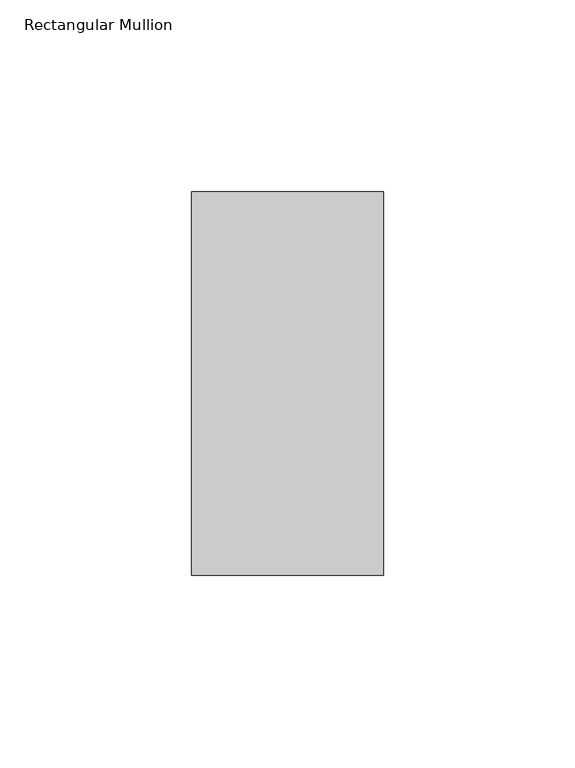
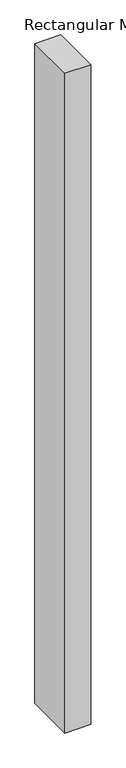
"""IFC4 building model written with IfcOpenShell, lengths in millimetres: member geometry, Rectangular Mullion."""

from ifc_helpers import new_model, si_unit, frame, origin, place, context, project, spatial, polyline, outline, extrude, source, transform, mapped, element, save


def rectangular_mullion_4334a978(model_context):
    return source(origin(), model_context, "Body", "SweptSolid", [
        extrude(outline(polyline([(25.0, 69.0), (25.0, -31.0), (-25.0, -31.0), (-25.0, 69.0), (25.0, 69.0)])), frame((0.0, 0.0, -1340.0), z_axis=(0.0, 0.0, 1.0), x_axis=(1.0, 0.0, 0.0)), (0.0, 0.0, 1.0), 1340.0),
    ])


if __name__ == "__main__":
    model = new_model("IFC4")
    model_context = context("Model", 3, world=origin())
    ifc_project = project(units=[si_unit("LENGTHUNIT", "METRE", prefix="MILLI")], contexts=[model_context])
    site = spatial("IfcSite", under=ifc_project)
    building = spatial("IfcBuilding", under=site)
    placement = place(None, origin())
    rectangular_mullion_shape = rectangular_mullion_4334a978(model_context)
    element("IfcMember", 1, ObjectType="Rectangular Mullion", at=placement, inside=building, context=model_context, shape_type="MappedRepresentation", body=[
        mapped(rectangular_mullion_shape, transform((0.0, 0.0, 0.0), x_axis=(1.0, 0.0, 0.0), y_axis=(0.0, 1.0, 0.0), z_axis=(0.0, 0.0, 1.0))),
    ])
    save(model, "model.ifc")
